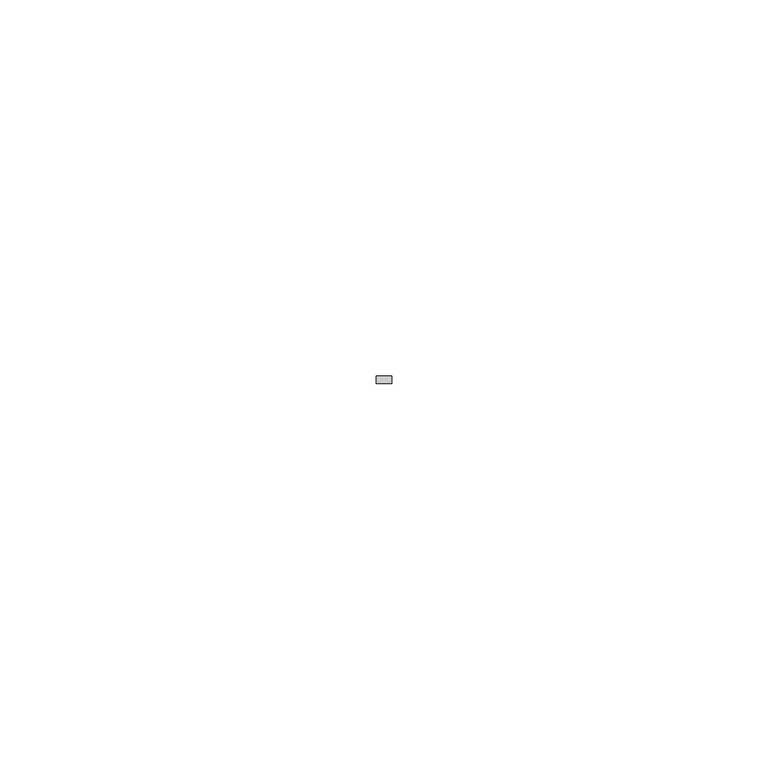
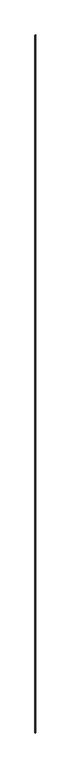
"""IFC4 building model written with IfcOpenShell, lengths in millimetres: member geometry."""

from ifc_helpers import new_model, si_unit, frame, origin, place, context, project, spatial, polyline, outline, extrude, source, transform, mapped, element, save


def member_49f610a5(model_context):
    return source(origin(), model_context, "Body", "SweptSolid", [
        extrude(outline(polyline([(1.0, -6.0), (1.0, -7.0), (-1.0, -7.0), (-1.0, -6.0), (1.0, -6.0)])), frame((0.0, 0.0, -2097.0), z_axis=(0.0, 0.0, 1.0), x_axis=(1.0, 0.0, 0.0)), (0.0, 0.0, 1.0), 2097.0),
    ])


if __name__ == "__main__":
    model = new_model("IFC4")
    model_context = context("Model", 3, world=origin())
    ifc_project = project(units=[si_unit("LENGTHUNIT", "METRE", prefix="MILLI")], contexts=[model_context])
    site = spatial("IfcSite", under=ifc_project)
    building = spatial("IfcBuilding", under=site)
    placement = place(None, origin())
    member_shape = member_49f610a5(model_context)
    element("IfcMember", 1, at=placement, inside=building, context=model_context, shape_type="MappedRepresentation", body=[
        mapped(member_shape, transform((0.0, 0.0, 0.0), x_axis=(1.0, 0.0, 0.0), y_axis=(0.0, 1.0, 0.0), z_axis=(0.0, 0.0, 1.0))),
    ])
    save(model, "model.ifc")
